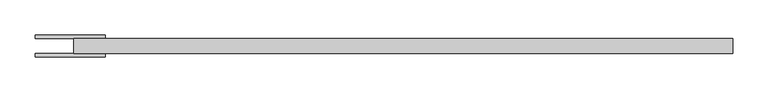
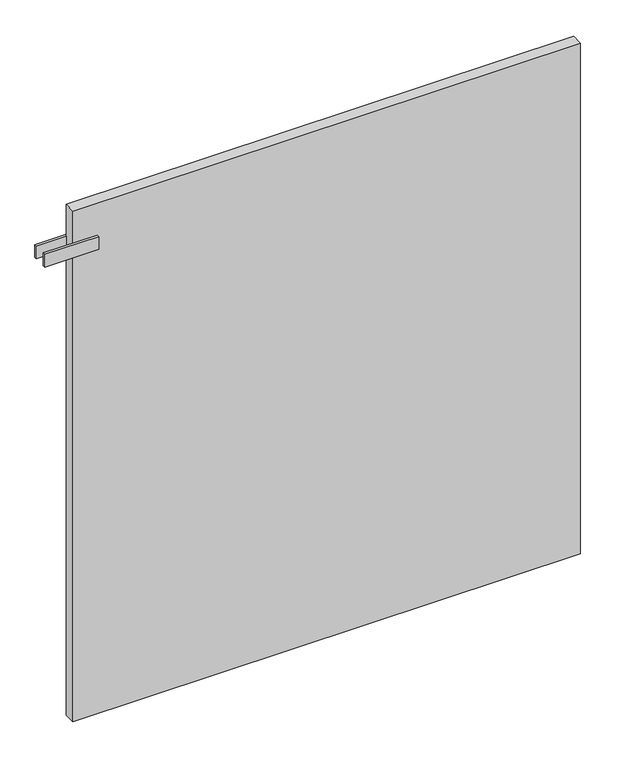
"""IFC4 building model written with IfcOpenShell, lengths in millimetres: plate geometry."""

from ifc_helpers import new_model, si_unit, frame, origin, origin_with_axes, place, context, project, spatial, polyline, outline, extrude, source, transform, mapped, element, save


def plate_42fa2ff0(model_context):
    return source(origin(), model_context, "Body", "SweptSolid", [
        extrude(outline(polyline([(-425.0000001, -47.75), (-525.0000001, -47.75), (-525.0000001, -42.75), (-425.0000001, -42.75), (-425.0000001, -47.75)])), frame((0.0, 0.0, 912.5), z_axis=(0.0, 0.0, 1.0), x_axis=(1.0, 0.0, 0.0)), (0.0, 0.0, 1.0), 25.0),
        extrude(outline(polyline([(-425.0000001, -16.25), (-425.0000001, -21.25), (-525.0000001, -21.25), (-525.0000001, -16.25), (-425.0000001, -16.25)])), frame((0.0, 0.0, 912.5), z_axis=(0.0, 0.0, 1.0), x_axis=(1.0, 0.0, 0.0)), (0.0, 0.0, 1.0), 25.0),
        extrude(outline(polyline([(470.0000001, -21.25), (470.0000001, -42.75), (-470.0000001, -42.75), (-470.0000001, -21.25), (470.0000001, -21.25)])), origin_with_axes(), (0.0, 0.0, 1.0), 1000.0),
    ])


if __name__ == "__main__":
    model = new_model("IFC4")
    model_context = context("Model", 3, world=origin())
    ifc_project = project(units=[si_unit("LENGTHUNIT", "METRE", prefix="MILLI")], contexts=[model_context])
    site = spatial("IfcSite", under=ifc_project)
    building = spatial("IfcBuilding", under=site)
    placement = place(None, origin())
    plate_shape = plate_42fa2ff0(model_context)
    element("IfcPlate", 1, at=placement, inside=building, context=model_context, shape_type="MappedRepresentation", body=[
        mapped(plate_shape, transform((0.0, 0.0, 0.0), x_axis=(1.0, 0.0, 0.0), y_axis=(0.0, 1.0, 0.0), z_axis=(0.0, 0.0, 1.0))),
    ])
    save(model, "model.ifc")
